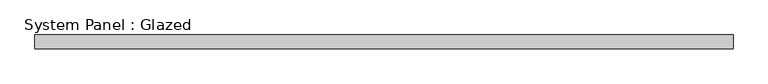
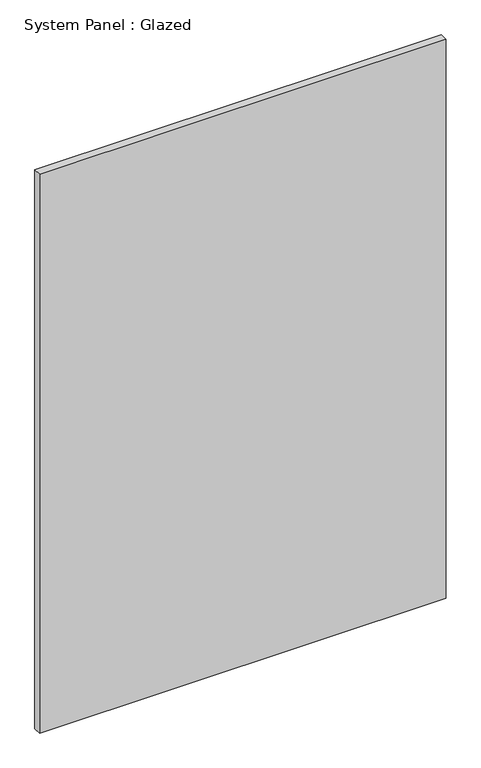
"""IFC4 building model written with IfcOpenShell, lengths in millimetres: plate geometry, System Panel : Glazed."""

from ifc_helpers import new_model, si_unit, origin, origin_with_axes, place, context, project, spatial, polyline, outline, extrude, source, transform, mapped, element, save


def system_panel_glazed_9179ef37(model_context):
    return source(origin(), model_context, "Body", "SweptSolid", [
        extrude(outline(polyline([(649.0707079, 19.05), (-649.0707079, 19.05), (-649.0707079, 44.45), (649.0707079, 44.45), (649.0707079, 19.05)])), origin_with_axes(), (0.0, 0.0, 1.0), 1885.95),
    ])


if __name__ == "__main__":
    model = new_model("IFC4")
    model_context = context("Model", 3, world=origin())
    ifc_project = project(units=[si_unit("LENGTHUNIT", "METRE", prefix="MILLI")], contexts=[model_context])
    site = spatial("IfcSite", under=ifc_project)
    building = spatial("IfcBuilding", under=site)
    placement = place(None, origin())
    system_panel_glazed_shape = system_panel_glazed_9179ef37(model_context)
    element("IfcPlate", 1, ObjectType="System Panel : Glazed", at=placement, inside=building, context=model_context, shape_type="MappedRepresentation", body=[
        mapped(system_panel_glazed_shape, transform((0.0, 0.0, 0.0), x_axis=(1.0, 0.0, 0.0), y_axis=(0.0, 1.0, 0.0), z_axis=(0.0, 0.0, 1.0))),
    ])
    save(model, "model.ifc")
